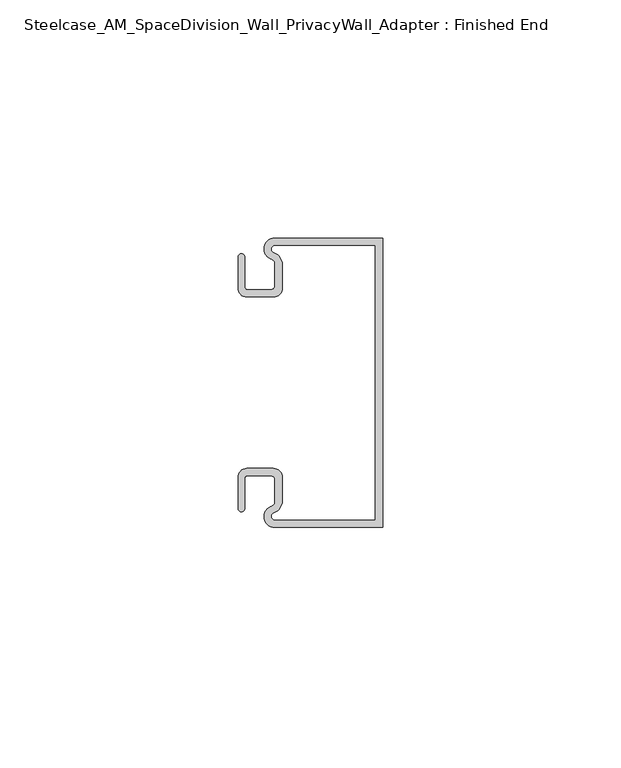
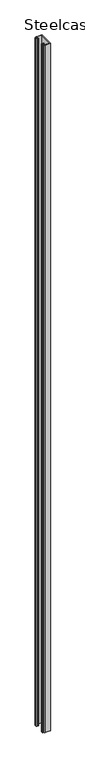
"""IFC4 building model written with IfcOpenShell, lengths in millimetres: furniture geometry, Steelcase_AM_SpaceDivision_Wall_PrivacyWall_Adapter : Finished End."""

from ifc_helpers import new_model, si_unit, point, frame_2d, origin, origin_with_axes, place, context, project, spatial, polyline, circle_curve, trimmed, segment, composite_curve, outline, extrude, source, transform, mapped, element, save


def steelcase_am_spacedivision_wall_privacywall_adapter_finished_7d13e4b7(model_context):
    return source(origin(), model_context, "Body", "SweptSolid", [
        extrude(outline(composite_curve([segment(polyline([(6.9852325, 30.3783783), (6.9852325, -30.3783783), (-15.6465256, -30.3783783)]), True, "CONTINUOUS"), segment(trimmed(circle_curve(frame_2d((-15.6465256, -28.0875717)), 2.2908066), [point((-15.6465256, -30.3783783))], [point((-17.2874565, -26.4890911))], False, "CARTESIAN"), True, "CONTINUOUS"), segment(trimmed(circle_curve(frame_2d((-15.6465256, -28.0875717)), 2.2908066), [point((-17.2874565, -26.4890911))], [point((-16.3337046, -25.9022618))], False, "CARTESIAN"), True, "CONTINUOUS"), segment(trimmed(circle_curve(frame_2d((-16.6281714, -24.9658228)), 0.9816458), [point((-16.3337046, -25.9022618))], [point((-15.6465256, -24.9658228))], True, "CARTESIAN"), True, "CONTINUOUS"), segment(polyline([(-15.6465256, -24.9658228), (-15.6465256, -20.4176356)]), True, "CONTINUOUS"), segment(trimmed(circle_curve(frame_2d((-16.5316325, -20.4176356)), 0.8851069), [point((-15.6465256, -20.4176356))], [point((-16.5316325, -19.5325287))], True, "CARTESIAN"), True, "CONTINUOUS"), segment(polyline([(-16.5316325, -19.5325287), (-21.4153752, -19.5325287)]), True, "CONTINUOUS"), segment(trimmed(circle_curve(frame_2d((-21.4153752, -20.1132915)), 0.5807628), [point((-21.4153752, -19.5325287))], [point((-21.996138, -20.1132915))], True, "CARTESIAN"), True, "CONTINUOUS"), segment(polyline([(-21.996138, -20.1132915), (-21.996138, -26.4014866)]), True, "CONTINUOUS"), segment(trimmed(circle_curve(frame_2d((-22.6946419, -26.4014866)), 0.6985039), [point((-21.996138, -26.4014866))], [point((-23.3931458, -26.4014866))], False, "CARTESIAN"), True, "CONTINUOUS"), segment(polyline([(-23.3931458, -26.4014866), (-23.3931458, -19.849842)]), True, "CONTINUOUS"), segment(trimmed(circle_curve(frame_2d((-21.5517975, -19.849842)), 1.8413482), [point((-23.3931458, -19.849842))], [point((-21.5517975, -18.0084938))], False, "CARTESIAN"), True, "CONTINUOUS"), segment(polyline([(-21.5517975, -18.0084938), (-15.962773, -18.0084938)]), True, "CONTINUOUS"), segment(trimmed(circle_curve(frame_2d((-15.962773, -19.8490668)), 1.840573), [point((-15.962773, -18.0084938))], [point((-14.1222, -19.8490668))], False, "CARTESIAN"), True, "CONTINUOUS"), segment(polyline([(-14.1222, -19.8490668), (-14.1222, -24.8445911)]), True, "CONTINUOUS"), segment(trimmed(circle_curve(frame_2d((-16.7164476, -24.8445911)), 2.5942476), [point((-14.1222, -24.8445911))], [point((-15.9187341, -27.3131481))], False, "CARTESIAN"), True, "CONTINUOUS"), segment(trimmed(circle_curve(frame_2d((-15.6758979, -28.0646147)), 0.7897287), [point((-15.9187341, -27.3131481))], [point((-15.6758979, -28.8543434))], True, "CARTESIAN"), True, "CONTINUOUS"), segment(polyline([(-15.6758979, -28.8543434), (5.460907, -28.8543434), (5.460907, 28.8543434), (-15.6758979, 28.8543434)]), True, "CONTINUOUS"), segment(trimmed(circle_curve(frame_2d((-15.6758979, 28.0646147)), 0.7897287), [point((-15.6758979, 28.8543434))], [point((-15.9187341, 27.3131481))], True, "CARTESIAN"), True, "CONTINUOUS"), segment(trimmed(circle_curve(frame_2d((-16.7164476, 24.8445911)), 2.5942476), [point((-15.9187341, 27.3131481))], [point((-14.1222, 24.8445911))], False, "CARTESIAN"), True, "CONTINUOUS"), segment(polyline([(-14.1222, 24.8445911), (-14.1222, 19.8490668)]), True, "CONTINUOUS"), segment(trimmed(circle_curve(frame_2d((-15.962773, 19.8490668)), 1.840573), [point((-14.1222, 19.8490668))], [point((-15.962773, 18.0084938))], False, "CARTESIAN"), True, "CONTINUOUS"), segment(polyline([(-15.962773, 18.0084938), (-21.5517975, 18.0084938)]), True, "CONTINUOUS"), segment(trimmed(circle_curve(frame_2d((-21.5517975, 19.849842)), 1.8413482), [point((-21.5517975, 18.0084938))], [point((-23.3931458, 19.849842))], False, "CARTESIAN"), True, "CONTINUOUS"), segment(polyline([(-23.3931458, 19.849842), (-23.3931458, 26.4014866)]), True, "CONTINUOUS"), segment(trimmed(circle_curve(frame_2d((-22.6946419, 26.4014866)), 0.6985039), [point((-23.3931458, 26.4014866))], [point((-21.996138, 26.4014866))], False, "CARTESIAN"), True, "CONTINUOUS"), segment(polyline([(-21.996138, 26.4014866), (-21.996138, 20.1132915)]), True, "CONTINUOUS"), segment(trimmed(circle_curve(frame_2d((-21.4153752, 20.1132915)), 0.5807628), [point((-21.996138, 20.1132915))], [point((-21.4153752, 19.5325287))], True, "CARTESIAN"), True, "CONTINUOUS"), segment(polyline([(-21.4153752, 19.5325287), (-16.5316325, 19.5325287)]), True, "CONTINUOUS"), segment(trimmed(circle_curve(frame_2d((-16.5316325, 20.4176356)), 0.8851069), [point((-16.5316325, 19.5325287))], [point((-15.6465256, 20.4176356))], True, "CARTESIAN"), True, "CONTINUOUS"), segment(polyline([(-15.6465256, 20.4176356), (-15.6465256, 24.9658228)]), True, "CONTINUOUS"), segment(trimmed(circle_curve(frame_2d((-16.6281714, 24.9658228)), 0.9816458), [point((-15.6465256, 24.9658228))], [point((-16.3337046, 25.9022618))], True, "CARTESIAN"), True, "CONTINUOUS"), segment(trimmed(circle_curve(frame_2d((-15.6465256, 28.0875717)), 2.2908066), [point((-16.3337046, 25.9022618))], [point((-17.2874565, 26.4890911))], False, "CARTESIAN"), True, "CONTINUOUS"), segment(trimmed(circle_curve(frame_2d((-15.6465256, 28.0875717)), 2.2908066), [point((-17.2874565, 26.4890911))], [point((-15.6465256, 30.3783783))], False, "CARTESIAN"), True, "CONTINUOUS"), segment(polyline([(-15.6465256, 30.3783783), (6.9852325, 30.3783783)]), True, "CONTINUOUS")], self_intersect=False)), origin_with_axes(), (0.0, 0.0, 1.0), 3048.0),
    ])


if __name__ == "__main__":
    model = new_model("IFC4")
    model_context = context("Model", 3, world=origin())
    ifc_project = project(units=[si_unit("LENGTHUNIT", "METRE", prefix="MILLI")], contexts=[model_context])
    site = spatial("IfcSite", under=ifc_project)
    building = spatial("IfcBuilding", under=site)
    placement = place(None, origin())
    steelcase_am_spacedivision_wall_privacywall_adapter_finished_shape = steelcase_am_spacedivision_wall_privacywall_adapter_finished_7d13e4b7(model_context)
    element("IfcFurniture", 1, ObjectType="Steelcase_AM_SpaceDivision_Wall_PrivacyWall_Adapter : Finished End", at=placement, inside=building, context=model_context, shape_type="MappedRepresentation", body=[
        mapped(steelcase_am_spacedivision_wall_privacywall_adapter_finished_shape, transform((0.0, 0.0, 0.0), x_axis=(1.0, 0.0, 0.0), y_axis=(0.0, 1.0, 0.0), z_axis=(0.0, 0.0, 1.0))),
    ])
    save(model, "model.ifc")
